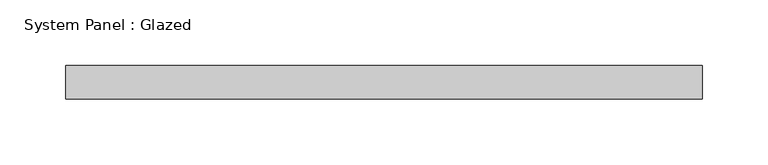
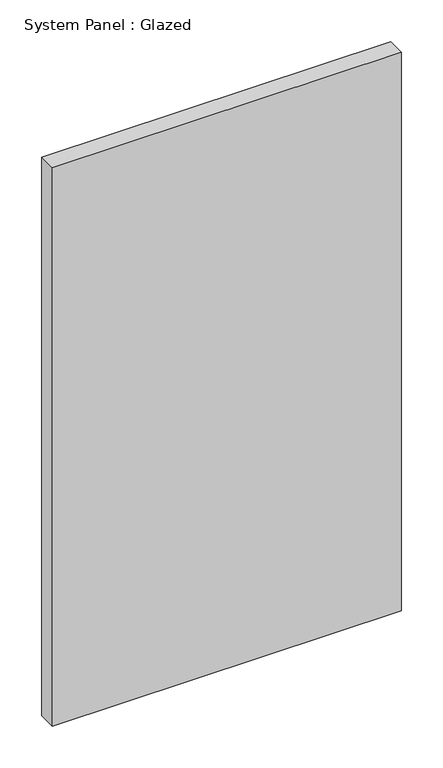
"""IFC4 building model written with IfcOpenShell, lengths in millimetres: plate geometry, System Panel : Glazed."""

from ifc_helpers import new_model, si_unit, origin, origin_with_axes, place, context, project, spatial, polyline, outline, extrude, source, transform, mapped, element, save


def system_panel_glazed_f94c6ba3(model_context):
    return source(origin(), model_context, "Body", "SweptSolid", [
        extrude(outline(polyline([(241.9362502, 19.05), (-241.9362502, 19.05), (-241.9362502, 44.45), (241.9362502, 44.45), (241.9362502, 19.05)])), origin_with_axes(), (0.0, 0.0, 1.0), 819.15),
    ])


if __name__ == "__main__":
    model = new_model("IFC4")
    model_context = context("Model", 3, world=origin())
    ifc_project = project(units=[si_unit("LENGTHUNIT", "METRE", prefix="MILLI")], contexts=[model_context])
    site = spatial("IfcSite", under=ifc_project)
    building = spatial("IfcBuilding", under=site)
    placement = place(None, origin())
    system_panel_glazed_shape = system_panel_glazed_f94c6ba3(model_context)
    element("IfcPlate", 1, ObjectType="System Panel : Glazed", at=placement, inside=building, context=model_context, shape_type="MappedRepresentation", body=[
        mapped(system_panel_glazed_shape, transform((0.0, 0.0, 0.0), x_axis=(1.0, 0.0, 0.0), y_axis=(0.0, 1.0, 0.0), z_axis=(0.0, 0.0, 1.0))),
    ])
    save(model, "model.ifc")
